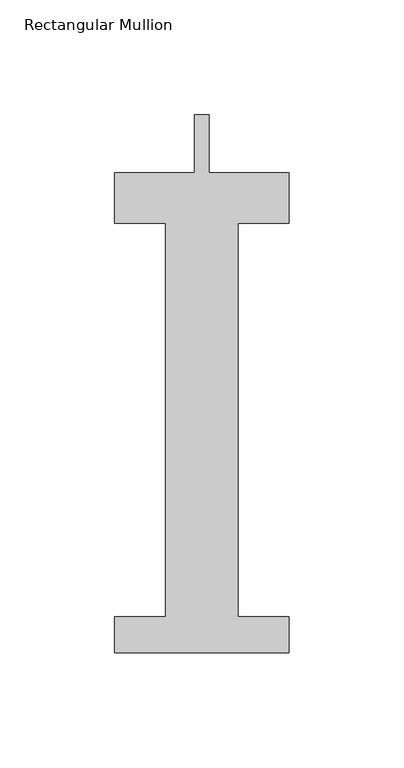
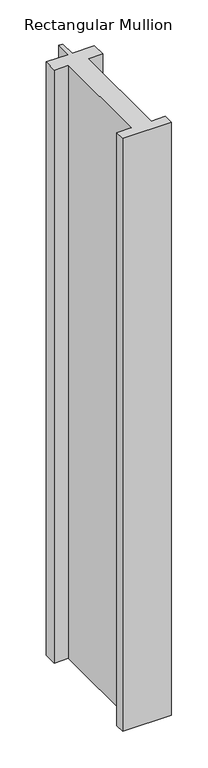
"""IFC4 building model written with IfcOpenShell, lengths in millimetres: member geometry, Rectangular Mullion."""

from ifc_helpers import new_model, si_unit, frame, origin, place, context, project, spatial, polyline, outline, extrude, source, transform, mapped, element, save


def rectangular_mullion_17f6f61b(model_context):
    return source(origin(), model_context, "Body", "SweptSolid", [
        extrude(outline(polyline([(38.1, -221.996), (-38.1, -221.996), (-38.1, -206.121), (-15.875, -206.121), (-15.875, -34.671), (-38.1, -34.671), (-38.1, -12.7), (-3.175, -12.7), (-3.175, 12.7), (3.175, 12.7), (3.175, -12.7), (38.1, -12.7), (38.1, -34.671), (15.875, -34.671), (15.875, -206.121), (38.1, -206.121), (38.1, -221.996)])), frame((0.0, 0.0, -986.3666667), z_axis=(0.0, 0.0, 1.0), x_axis=(1.0, 0.0, 0.0)), (0.0, 0.0, 1.0), 986.3666667),
    ])


if __name__ == "__main__":
    model = new_model("IFC4")
    model_context = context("Model", 3, world=origin())
    ifc_project = project(units=[si_unit("LENGTHUNIT", "METRE", prefix="MILLI")], contexts=[model_context])
    site = spatial("IfcSite", under=ifc_project)
    building = spatial("IfcBuilding", under=site)
    placement = place(None, origin())
    rectangular_mullion_shape = rectangular_mullion_17f6f61b(model_context)
    element("IfcMember", 1, ObjectType="Rectangular Mullion", at=placement, inside=building, context=model_context, shape_type="MappedRepresentation", body=[
        mapped(rectangular_mullion_shape, transform((0.0, 0.0, 0.0), x_axis=(1.0, 0.0, 0.0), y_axis=(0.0, 1.0, 0.0), z_axis=(0.0, 0.0, 1.0))),
    ])
    save(model, "model.ifc")
